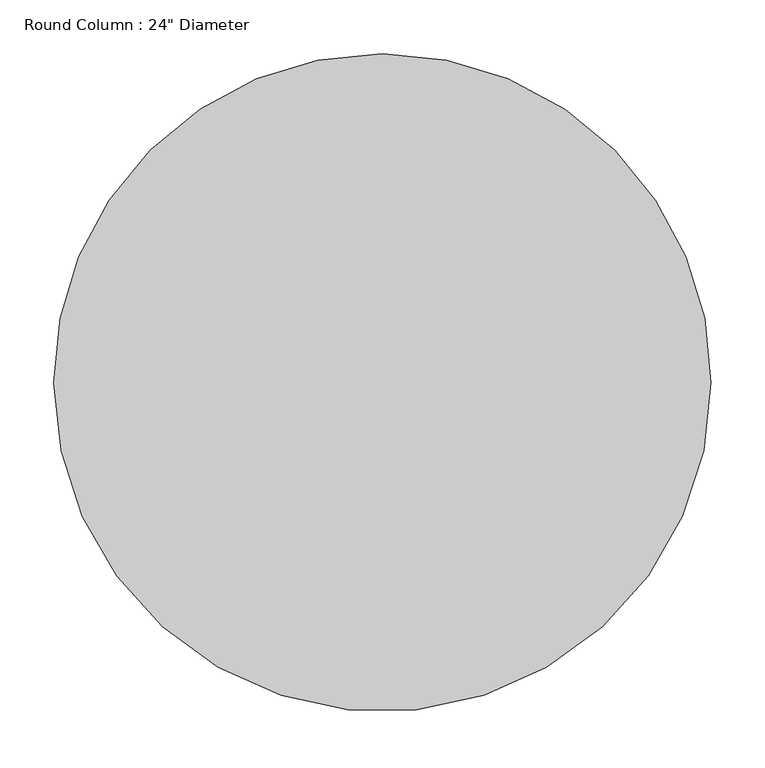
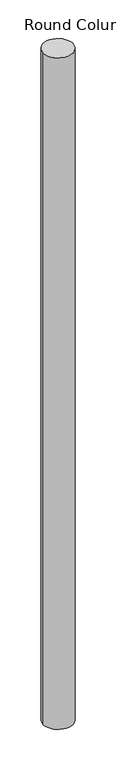
"""IFC4 building model written with IfcOpenShell, lengths in millimetres: column geometry."""

from ifc_helpers import new_model, si_unit, point, frame, origin, origin_2d, place, context, project, spatial, circle_curve, trimmed, segment, composite_curve, outline, extrude, source, transform, mapped, element, save


def column_da4b5357(model_context):
    return source(origin(), model_context, "Body", "SweptSolid", [
        extrude(outline(composite_curve([segment(trimmed(circle_curve(origin_2d(), 304.8), [point((304.8, 0.0))], [point((-304.8, 0.0))], False, "CARTESIAN"), True, "CONTINUOUS"), segment(trimmed(circle_curve(origin_2d(), 304.8), [point((-304.8, 0.0))], [point((0.0, 304.8))], False, "CARTESIAN"), True, "CONTINUOUS"), segment(trimmed(circle_curve(origin_2d(), 304.8), [point((0.0, 304.8))], [point((304.8, 0.0))], False, "CARTESIAN"), True, "CONTINUOUS")], self_intersect=False)), frame((0.0, 0.0, 10972.8), z_axis=(0.0, 0.0, 1.0), x_axis=(1.0, 0.0, 0.0)), (0.0, 0.0, 1.0), 14630.4),
    ])


if __name__ == "__main__":
    model = new_model("IFC4")
    model_context = context("Model", 3, world=origin())
    ifc_project = project(units=[si_unit("LENGTHUNIT", "METRE", prefix="MILLI")], contexts=[model_context])
    site = spatial("IfcSite", under=ifc_project)
    building = spatial("IfcBuilding", under=site)
    placement = place(None, origin())
    column_shape = column_da4b5357(model_context)
    element("IfcColumn", 1, ObjectType="Round Column : 24\" Diameter", at=placement, inside=building, context=model_context, shape_type="MappedRepresentation", body=[
        mapped(column_shape, transform((0.0, 0.0, 0.0), x_axis=(1.0, 0.0, 0.0), y_axis=(0.0, 1.0, 0.0), z_axis=(0.0, 0.0, 1.0))),
    ])
    save(model, "model.ifc")
